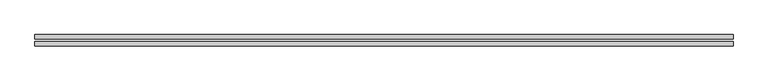
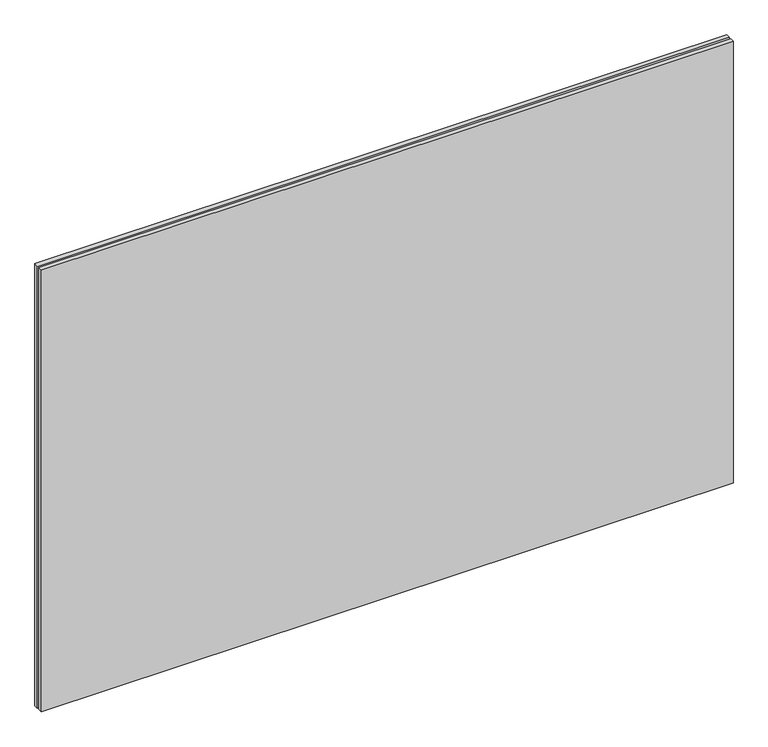
"""IFC4 building model written with IfcOpenShell, lengths in millimetres: plate geometry."""

from ifc_helpers import new_model, si_unit, origin, origin_with_axes, place, context, project, spatial, polyline, outline, extrude, source, transform, mapped, element, save


def plate_bd106695(model_context):
    return source(origin(), model_context, "Body", "SweptSolid", [
        extrude(outline(polyline([(616.65, -2.0), (616.65, -10.0), (-616.65, -10.0), (-616.65, -2.0), (616.65, -2.0)])), origin_with_axes(), (0.0, 0.0, 1.0), 833.3),
        extrude(outline(polyline([(616.65, 2.0), (-616.65, 2.0), (-616.65, 10.0), (616.65, 10.0), (616.65, 2.0)])), origin_with_axes(), (0.0, 0.0, 1.0), 833.3),
    ])


if __name__ == "__main__":
    model = new_model("IFC4")
    model_context = context("Model", 3, world=origin())
    ifc_project = project(units=[si_unit("LENGTHUNIT", "METRE", prefix="MILLI")], contexts=[model_context])
    site = spatial("IfcSite", under=ifc_project)
    building = spatial("IfcBuilding", under=site)
    placement = place(None, origin())
    plate_shape = plate_bd106695(model_context)
    element("IfcPlate", 1, at=placement, inside=building, context=model_context, shape_type="MappedRepresentation", body=[
        mapped(plate_shape, transform((0.0, 0.0, 0.0), x_axis=(1.0, 0.0, 0.0), y_axis=(0.0, 1.0, 0.0), z_axis=(0.0, 0.0, 1.0))),
    ])
    save(model, "model.ifc")
